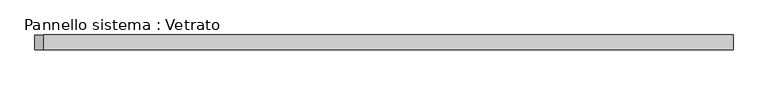
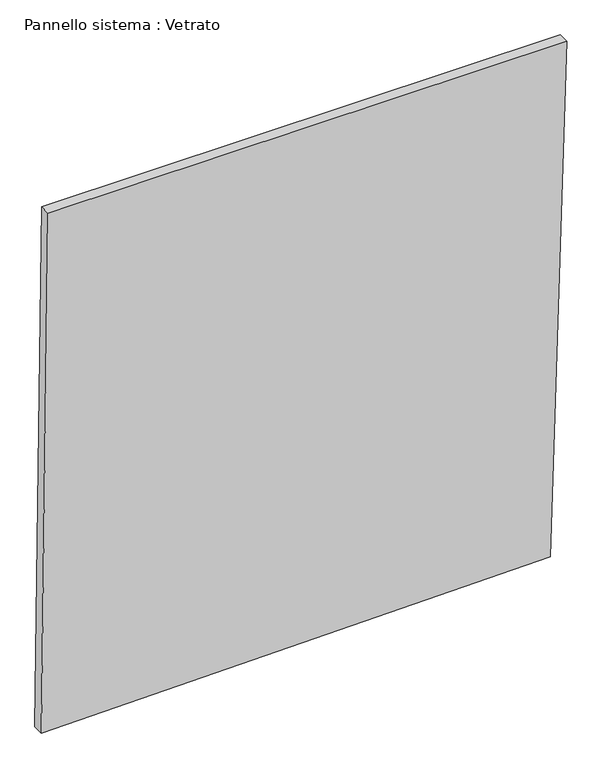
"""IFC4 building model written with IfcOpenShell, lengths in millimetres: plate geometry, Pannello sistema : Vetrato."""

from ifc_helpers import new_model, si_unit, frame, origin, place, context, project, spatial, polyline, outline, extrude, source, transform, mapped, element, save


def pannello_sistema_vetrato_092ab6c3(model_context):
    return source(origin(), model_context, "Body", "SweptSolid", [
        extrude(outline(polyline([(0.0, -711.0769673), (22.2995611, 666.997469), (1481.87477, 711.0769673), (1481.87477, -693.0415278), (0.0, -711.0769673)])), frame((0.0, -15.0, 0.0), z_axis=(0.0, 1.0, 0.0), x_axis=(0.0, 0.0, 1.0)), (0.0, 0.0, 1.0), 30.0),
    ])


if __name__ == "__main__":
    model = new_model("IFC4")
    model_context = context("Model", 3, world=origin())
    ifc_project = project(units=[si_unit("LENGTHUNIT", "METRE", prefix="MILLI")], contexts=[model_context])
    site = spatial("IfcSite", under=ifc_project)
    building = spatial("IfcBuilding", under=site)
    placement = place(None, origin())
    pannello_sistema_vetrato_shape = pannello_sistema_vetrato_092ab6c3(model_context)
    element("IfcPlate", 1, ObjectType="Pannello sistema : Vetrato", at=placement, inside=building, context=model_context, shape_type="MappedRepresentation", body=[
        mapped(pannello_sistema_vetrato_shape, transform((0.0, 0.0, 0.0), x_axis=(1.0, 0.0, 0.0), y_axis=(0.0, 1.0, 0.0), z_axis=(0.0, 0.0, 1.0))),
    ])
    save(model, "model.ifc")
